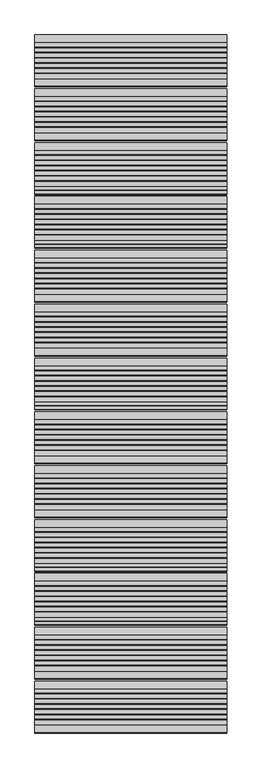
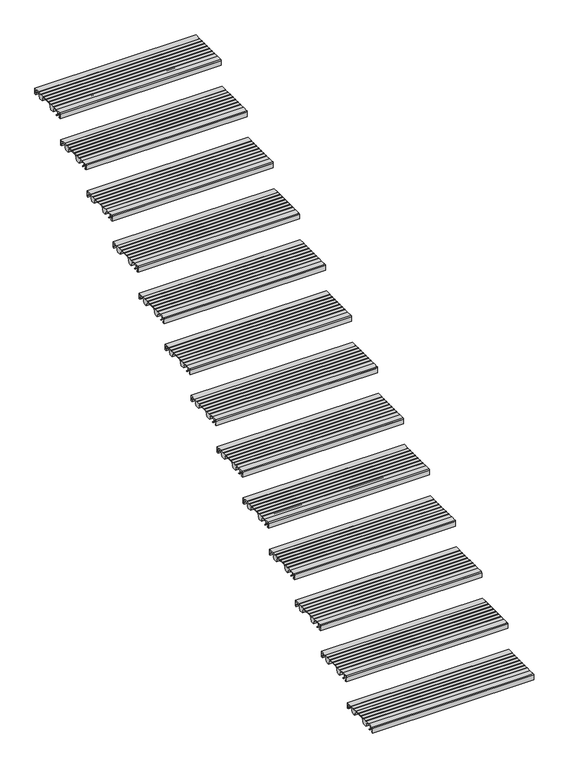
"""IFC4 building model written with IfcOpenShell, lengths in millimetres: stair flight geometry."""

from ifc_helpers import new_model, si_unit, point, frame, frame_2d, origin, place, context, project, spatial, polyline, circle_curve, trimmed, segment, composite_curve, outline, extrude, source, transform, mapped, element, save


def stair_flight_8a42d05c(model_context):
    return source(origin(), model_context, "Body", "SweptSolid", [
        extrude(outline(composite_curve([segment(polyline([(-5835.7714581, 142.2436313), (-5824.0121655, 133.0961128), (-5820.5625929, 133.0885102), (-5820.5684453, 130.4330421), (-5824.9259703, 130.4426458), (-5838.2117943, 140.7776485), (-5838.8689923, 160.5772032), (-5855.6889024, 160.5401335), (-5855.6889024, 139.1885558), (-5849.7889347, 139.2015588), (-5849.7889347, 129.9429101), (-5858.9832568, 129.9429101), (-5858.9832568, 160.8235294)]), True, "CONTINUOUS"), segment(trimmed(circle_curve(frame_2d((-5853.9832568, 160.8235294)), 5.0), [point((-5858.9832568, 160.8235294))], [point((-5853.9832568, 165.8235294))], False, "CARTESIAN"), True, "CONTINUOUS"), segment(polyline([(-5853.9832568, 165.8235294), (-5819.2747035, 165.8235294), (-5819.2747035, 164.4415536), (-5789.2485475, 164.3753783), (-5789.2485475, 165.9642153), (-5787.213968, 165.9642153), (-5787.213968, 164.0199324), (-5762.3673917, 164.0199324), (-5762.3673917, 165.9642153), (-5760.3328122, 165.9642153), (-5760.3328122, 164.0199324), (-5735.4862358, 164.0199324), (-5735.4862358, 165.9642153), (-5733.4516563, 165.9642153), (-5733.4516563, 164.0199324), (-5708.60508, 164.0199324), (-5708.60508, 165.9642153), (-5706.5705005, 165.9642153), (-5706.5705005, 164.0199324), (-5681.7239241, 164.0199324), (-5681.7239241, 165.9642153), (-5679.6893446, 165.9642153), (-5679.6893446, 164.0199324), (-5654.852176, 164.0199324), (-5654.852176, 165.9642153), (-5652.8175965, 165.9642153), (-5652.8175965, 164.0199324), (-5627.9697223, 164.0199324), (-5627.9697223, 165.9094525), (-5588.9832568, 165.8235294), (-5588.9832568, 129.9226465), (-5598.1775789, 129.9429101), (-5598.1775789, 139.2015588), (-5592.2776112, 139.1885558), (-5592.2776112, 160.5401335), (-5630.4991521, 160.6243708), (-5641.2246336, 130.0377824), (-5666.1164136, 130.092642), (-5679.1103611, 161.2983621), (-5749.7810763, 161.4541148), (-5760.7051778, 130.3011082), (-5785.5969579, 130.3559677), (-5798.6696565, 161.7508134), (-5819.2747035, 161.7962253), (-5819.2747035, 160.6203875), (-5836.3801784, 160.5826884), (-5835.7714581, 142.2436313)]), True, "CONTINUOUS")], self_intersect=False)), frame((-18715.7515248, 0.0, 0.0), z_axis=(1.0, 0.0, 0.0), x_axis=(0.0, 1.0, 0.0)), (0.0, 0.0, 1.0), 1000.0),
        extrude(outline(composite_curve([segment(polyline([(-5555.7714581, 308.0671607), (-5544.0121655, 298.9196422), (-5540.5625929, 298.9120396), (-5540.5684453, 296.2565715), (-5544.9259703, 296.2661752), (-5558.2117943, 306.6011779), (-5558.8689923, 326.4007327), (-5575.6889024, 326.3636629), (-5575.6889024, 305.0120852), (-5569.7889347, 305.0250882), (-5569.7889347, 295.7664395), (-5578.9832568, 295.7664395), (-5578.9832568, 326.6470588)]), True, "CONTINUOUS"), segment(trimmed(circle_curve(frame_2d((-5573.9832568, 326.6470588)), 5.0), [point((-5578.9832568, 326.6470588))], [point((-5573.9832568, 331.6470588))], False, "CARTESIAN"), True, "CONTINUOUS"), segment(polyline([(-5573.9832568, 331.6470588), (-5539.2747035, 331.6470588), (-5539.2747035, 330.265083), (-5509.2485475, 330.1989077), (-5509.2485475, 331.7877447), (-5507.213968, 331.7877447), (-5507.213968, 329.8434618), (-5482.3673917, 329.8434618), (-5482.3673917, 331.7877447), (-5480.3328122, 331.7877447), (-5480.3328122, 329.8434618), (-5455.4862358, 329.8434618), (-5455.4862358, 331.7877447), (-5453.4516563, 331.7877447), (-5453.4516563, 329.8434618), (-5428.60508, 329.8434618), (-5428.60508, 331.7877447), (-5426.5705005, 331.7877447), (-5426.5705005, 329.8434618), (-5401.7239241, 329.8434618), (-5401.7239241, 331.7877447), (-5399.6893446, 331.7877447), (-5399.6893446, 329.8434618), (-5374.852176, 329.8434618), (-5374.852176, 331.7877447), (-5372.8175965, 331.7877447), (-5372.8175965, 329.8434618), (-5347.9697223, 329.8434618), (-5347.9697223, 331.7329819), (-5308.9832568, 331.6470588), (-5308.9832568, 295.7461759), (-5318.1775789, 295.7664395), (-5318.1775789, 305.0250882), (-5312.2776112, 305.0120852), (-5312.2776112, 326.3636629), (-5350.4991521, 326.4479002), (-5361.2246336, 295.8613118), (-5386.1164136, 295.9161714), (-5399.1103611, 327.1218915), (-5469.7810763, 327.2776442), (-5480.7051778, 296.1246376), (-5505.5969579, 296.1794971), (-5518.6696565, 327.5743428), (-5539.2747035, 327.6197548), (-5539.2747035, 326.4439169), (-5556.3801784, 326.4062178), (-5555.7714581, 308.0671607)]), True, "CONTINUOUS")], self_intersect=False)), frame((-18715.7515248, 0.0, 0.0), z_axis=(1.0, 0.0, 0.0), x_axis=(0.0, 1.0, 0.0)), (0.0, 0.0, 1.0), 1000.0),
        extrude(outline(composite_curve([segment(polyline([(-5275.7714581, 473.8906902), (-5264.0121655, 464.7431716), (-5260.5625929, 464.735569), (-5260.5684453, 462.080101), (-5264.9259703, 462.0897046), (-5278.2117943, 472.4247073), (-5278.8689923, 492.2242621), (-5295.6889024, 492.1871923), (-5295.6889024, 470.8356146), (-5289.7889347, 470.8486177), (-5289.7889347, 461.5899689), (-5298.9832568, 461.5899689), (-5298.9832568, 492.4705882)]), True, "CONTINUOUS"), segment(trimmed(circle_curve(frame_2d((-5293.9832568, 492.4705882)), 5.0), [point((-5298.9832568, 492.4705882))], [point((-5293.9832568, 497.4705882))], False, "CARTESIAN"), True, "CONTINUOUS"), segment(polyline([(-5293.9832568, 497.4705882), (-5259.2747035, 497.4705882), (-5259.2747035, 496.0886124), (-5229.2485475, 496.0224371), (-5229.2485475, 497.6112741), (-5227.213968, 497.6112741), (-5227.213968, 495.6669912), (-5202.3673917, 495.6669912), (-5202.3673917, 497.6112741), (-5200.3328122, 497.6112741), (-5200.3328122, 495.6669912), (-5175.4862358, 495.6669912), (-5175.4862358, 497.6112741), (-5173.4516563, 497.6112741), (-5173.4516563, 495.6669912), (-5148.60508, 495.6669912), (-5148.60508, 497.6112741), (-5146.5705005, 497.6112741), (-5146.5705005, 495.6669912), (-5121.7239241, 495.6669912), (-5121.7239241, 497.6112741), (-5119.6893446, 497.6112741), (-5119.6893446, 495.6669912), (-5094.852176, 495.6669912), (-5094.852176, 497.6112741), (-5092.8175965, 497.6112741), (-5092.8175965, 495.6669912), (-5067.9697223, 495.6669912), (-5067.9697223, 497.5565113), (-5028.9832568, 497.4705882), (-5028.9832568, 461.5697053), (-5038.1775789, 461.5899689), (-5038.1775789, 470.8486177), (-5032.2776112, 470.8356146), (-5032.2776112, 492.1871923), (-5070.4991521, 492.2714296), (-5081.2246336, 461.6848412), (-5106.1164136, 461.7397008), (-5119.1103611, 492.9454209), (-5189.7810763, 493.1011736), (-5200.7051778, 461.948167), (-5225.5969579, 462.0030265), (-5238.6696565, 493.3978723), (-5259.2747035, 493.4432842), (-5259.2747035, 492.2674463), (-5276.3801784, 492.2297472), (-5275.7714581, 473.8906902)]), True, "CONTINUOUS")], self_intersect=False)), frame((-18715.7515248, 0.0, 0.0), z_axis=(1.0, 0.0, 0.0), x_axis=(0.0, 1.0, 0.0)), (0.0, 0.0, 1.0), 1000.0),
        extrude(outline(composite_curve([segment(polyline([(-4995.7714581, 639.7142196), (-4984.0121655, 630.566701), (-4980.5625929, 630.5590984), (-4980.5684453, 627.9036304), (-4984.9259703, 627.913234), (-4998.2117943, 638.2482367), (-4998.8689923, 658.0477915), (-5015.6889024, 658.0107217), (-5015.6889024, 636.659144), (-5009.7889347, 636.6721471), (-5009.7889347, 627.4134983), (-5018.9832568, 627.4134983), (-5018.9832568, 658.2941176)]), True, "CONTINUOUS"), segment(trimmed(circle_curve(frame_2d((-5013.9832568, 658.2941176)), 5.0), [point((-5018.9832568, 658.2941176))], [point((-5013.9832568, 663.2941176))], False, "CARTESIAN"), True, "CONTINUOUS"), segment(polyline([(-5013.9832568, 663.2941176), (-4979.2747035, 663.2941176), (-4979.2747035, 661.9121418), (-4949.2485475, 661.8459665), (-4949.2485475, 663.4348035), (-4947.213968, 663.4348035), (-4947.213968, 661.4905206), (-4922.3673917, 661.4905206), (-4922.3673917, 663.4348035), (-4920.3328122, 663.4348035), (-4920.3328122, 661.4905206), (-4895.4862358, 661.4905206), (-4895.4862358, 663.4348035), (-4893.4516563, 663.4348035), (-4893.4516563, 661.4905206), (-4868.60508, 661.4905206), (-4868.60508, 663.4348035), (-4866.5705005, 663.4348035), (-4866.5705005, 661.4905206), (-4841.7239241, 661.4905206), (-4841.7239241, 663.4348035), (-4839.6893446, 663.4348035), (-4839.6893446, 661.4905206), (-4814.852176, 661.4905206), (-4814.852176, 663.4348035), (-4812.8175965, 663.4348035), (-4812.8175965, 661.4905206), (-4787.9697223, 661.4905206), (-4787.9697223, 663.3800408), (-4748.9832568, 663.2941176), (-4748.9832568, 627.3932348), (-4758.1775789, 627.4134983), (-4758.1775789, 636.6721471), (-4752.2776112, 636.659144), (-4752.2776112, 658.0107217), (-4790.4991521, 658.094959), (-4801.2246336, 627.5083707), (-4826.1164136, 627.5632302), (-4839.1103611, 658.7689503), (-4909.7810763, 658.9247031), (-4920.7051778, 627.7716964), (-4945.5969579, 627.8265559), (-4958.6696565, 659.2214017), (-4979.2747035, 659.2668136), (-4979.2747035, 658.0909758), (-4996.3801784, 658.0532766), (-4995.7714581, 639.7142196)]), True, "CONTINUOUS")], self_intersect=False)), frame((-18715.7515248, 0.0, 0.0), z_axis=(1.0, 0.0, 0.0), x_axis=(0.0, 1.0, 0.0)), (0.0, 0.0, 1.0), 1000.0),
        extrude(outline(composite_curve([segment(polyline([(-4715.7714581, 805.537749), (-4704.0121655, 796.3902304), (-4700.5625929, 796.3826279), (-4700.5684453, 793.7271598), (-4704.9259703, 793.7367634), (-4718.2117943, 804.0717661), (-4718.8689923, 823.8713209), (-4735.6889024, 823.8342511), (-4735.6889024, 802.4826734), (-4729.7889347, 802.4956765), (-4729.7889347, 793.2370277), (-4738.9832568, 793.2370277), (-4738.9832568, 824.1176471)]), True, "CONTINUOUS"), segment(trimmed(circle_curve(frame_2d((-4733.9832568, 824.1176471)), 5.0), [point((-4738.9832568, 824.1176471))], [point((-4733.9832568, 829.1176471))], False, "CARTESIAN"), True, "CONTINUOUS"), segment(polyline([(-4733.9832568, 829.1176471), (-4699.2747035, 829.1176471), (-4699.2747035, 827.7356712), (-4669.2485475, 827.6694959), (-4669.2485475, 829.2583329), (-4667.213968, 829.2583329), (-4667.213968, 827.31405), (-4642.3673917, 827.31405), (-4642.3673917, 829.2583329), (-4640.3328122, 829.2583329), (-4640.3328122, 827.31405), (-4615.4862358, 827.31405), (-4615.4862358, 829.2583329), (-4613.4516563, 829.2583329), (-4613.4516563, 827.31405), (-4588.60508, 827.31405), (-4588.60508, 829.2583329), (-4586.5705005, 829.2583329), (-4586.5705005, 827.31405), (-4561.7239241, 827.31405), (-4561.7239241, 829.2583329), (-4559.6893446, 829.2583329), (-4559.6893446, 827.31405), (-4534.852176, 827.31405), (-4534.852176, 829.2583329), (-4532.8175965, 829.2583329), (-4532.8175965, 827.31405), (-4507.9697223, 827.31405), (-4507.9697223, 829.2035702), (-4468.9832568, 829.1176471), (-4468.9832568, 793.2167642), (-4478.1775789, 793.2370277), (-4478.1775789, 802.4956765), (-4472.2776112, 802.4826734), (-4472.2776112, 823.8342511), (-4510.4991521, 823.9184884), (-4521.2246336, 793.3319001), (-4546.1164136, 793.3867596), (-4559.1103611, 824.5924798), (-4629.7810763, 824.7482325), (-4640.7051778, 793.5952258), (-4665.5969579, 793.6500854), (-4678.6696565, 825.0449311), (-4699.2747035, 825.090343), (-4699.2747035, 823.9145052), (-4716.3801784, 823.876806), (-4715.7714581, 805.537749)]), True, "CONTINUOUS")], self_intersect=False)), frame((-18715.7515248, 0.0, 0.0), z_axis=(1.0, 0.0, 0.0), x_axis=(0.0, 1.0, 0.0)), (0.0, 0.0, 1.0), 1000.0),
        extrude(outline(composite_curve([segment(polyline([(-4435.7714581, 971.3612784), (-4424.0121655, 962.2137599), (-4420.5625929, 962.2061573), (-4420.5684453, 959.5506892), (-4424.9259703, 959.5602928), (-4438.2117943, 969.8952956), (-4438.8689923, 989.6948503), (-4455.6889024, 989.6577805), (-4455.6889024, 968.3062028), (-4449.7889347, 968.3192059), (-4449.7889347, 959.0605571), (-4458.9832568, 959.0605571), (-4458.9832568, 989.9411765)]), True, "CONTINUOUS"), segment(trimmed(circle_curve(frame_2d((-4453.9832568, 989.9411765)), 5.0), [point((-4458.9832568, 989.9411765))], [point((-4453.9832568, 994.9411765))], False, "CARTESIAN"), True, "CONTINUOUS"), segment(polyline([(-4453.9832568, 994.9411765), (-4419.2747035, 994.9411765), (-4419.2747035, 993.5592006), (-4389.2485475, 993.4930253), (-4389.2485475, 995.0818624), (-4387.213968, 995.0818624), (-4387.213968, 993.1375794), (-4362.3673917, 993.1375794), (-4362.3673917, 995.0818624), (-4360.3328122, 995.0818624), (-4360.3328122, 993.1375794), (-4335.4862358, 993.1375794), (-4335.4862358, 995.0818624), (-4333.4516563, 995.0818624), (-4333.4516563, 993.1375794), (-4308.60508, 993.1375794), (-4308.60508, 995.0818624), (-4306.5705005, 995.0818624), (-4306.5705005, 993.1375794), (-4281.7239241, 993.1375794), (-4281.7239241, 995.0818624), (-4279.6893446, 995.0818624), (-4279.6893446, 993.1375794), (-4254.852176, 993.1375794), (-4254.852176, 995.0818624), (-4252.8175965, 995.0818624), (-4252.8175965, 993.1375794), (-4227.9697223, 993.1375794), (-4227.9697223, 995.0270996), (-4188.9832568, 994.9411765), (-4188.9832568, 959.0402936), (-4198.1775789, 959.0605571), (-4198.1775789, 968.3192059), (-4192.2776112, 968.3062028), (-4192.2776112, 989.6577805), (-4230.4991521, 989.7420178), (-4241.2246336, 959.1554295), (-4266.1164136, 959.210289), (-4279.1103611, 990.4160092), (-4349.7810763, 990.5717619), (-4360.7051778, 959.4187552), (-4385.5969579, 959.4736148), (-4398.6696565, 990.8684605), (-4419.2747035, 990.9138724), (-4419.2747035, 989.7380346), (-4436.3801784, 989.7003355), (-4435.7714581, 971.3612784)]), True, "CONTINUOUS")], self_intersect=False)), frame((-18715.7515248, 0.0, 0.0), z_axis=(1.0, 0.0, 0.0), x_axis=(0.0, 1.0, 0.0)), (0.0, 0.0, 1.0), 1000.0),
        extrude(outline(composite_curve([segment(polyline([(-4155.7714581, 1137.1848078), (-4144.0121655, 1128.0372893), (-4140.5625929, 1128.0296867), (-4140.5684453, 1125.3742186), (-4144.9259703, 1125.3838222), (-4158.2117943, 1135.718825), (-4158.8689923, 1155.5183797), (-4175.6889024, 1155.48131), (-4175.6889024, 1134.1297322), (-4169.7889347, 1134.1427353), (-4169.7889347, 1124.8840866), (-4178.9832568, 1124.8840866), (-4178.9832568, 1155.7647059)]), True, "CONTINUOUS"), segment(trimmed(circle_curve(frame_2d((-4173.9832568, 1155.7647059)), 5.0), [point((-4178.9832568, 1155.7647059))], [point((-4173.9832568, 1160.7647059))], False, "CARTESIAN"), True, "CONTINUOUS"), segment(polyline([(-4173.9832568, 1160.7647059), (-4139.2747035, 1160.7647059), (-4139.2747035, 1159.38273), (-4109.2485475, 1159.3165547), (-4109.2485475, 1160.9053918), (-4107.213968, 1160.9053918), (-4107.213968, 1158.9611088), (-4082.3673917, 1158.9611088), (-4082.3673917, 1160.9053918), (-4080.3328122, 1160.9053918), (-4080.3328122, 1158.9611088), (-4055.4862358, 1158.9611088), (-4055.4862358, 1160.9053918), (-4053.4516563, 1160.9053918), (-4053.4516563, 1158.9611088), (-4028.60508, 1158.9611088), (-4028.60508, 1160.9053918), (-4026.5705005, 1160.9053918), (-4026.5705005, 1158.9611088), (-4001.7239241, 1158.9611088), (-4001.7239241, 1160.9053918), (-3999.6893446, 1160.9053918), (-3999.6893446, 1158.9611088), (-3974.852176, 1158.9611088), (-3974.852176, 1160.9053918), (-3972.8175965, 1160.9053918), (-3972.8175965, 1158.9611088), (-3947.9697223, 1158.9611088), (-3947.9697223, 1160.850629), (-3908.9832568, 1160.7647059), (-3908.9832568, 1124.863823), (-3918.1775789, 1124.8840866), (-3918.1775789, 1134.1427353), (-3912.2776112, 1134.1297322), (-3912.2776112, 1155.48131), (-3950.4991521, 1155.5655472), (-3961.2246336, 1124.9789589), (-3986.1164136, 1125.0338184), (-3999.1103611, 1156.2395386), (-4069.7810763, 1156.3952913), (-4080.7051778, 1125.2422846), (-4105.5969579, 1125.2971442), (-4118.6696565, 1156.6919899), (-4139.2747035, 1156.7374018), (-4139.2747035, 1155.561564), (-4156.3801784, 1155.5238649), (-4155.7714581, 1137.1848078)]), True, "CONTINUOUS")], self_intersect=False)), frame((-18715.7515248, 0.0, 0.0), z_axis=(1.0, 0.0, 0.0), x_axis=(0.0, 1.0, 0.0)), (0.0, 0.0, 1.0), 1000.0),
        extrude(outline(composite_curve([segment(polyline([(-3875.7714581, 1303.0083372), (-3864.0121655, 1293.8608187), (-3860.5625929, 1293.8532161), (-3860.5684453, 1291.197748), (-3864.9259703, 1291.2073517), (-3878.2117943, 1301.5423544), (-3878.8689923, 1321.3419091), (-3895.6889024, 1321.3048394), (-3895.6889024, 1299.9532616), (-3889.7889347, 1299.9662647), (-3889.7889347, 1290.707616), (-3898.9832568, 1290.707616), (-3898.9832568, 1321.5882353)]), True, "CONTINUOUS"), segment(trimmed(circle_curve(frame_2d((-3893.9832568, 1321.5882353)), 5.0), [point((-3898.9832568, 1321.5882353))], [point((-3893.9832568, 1326.5882353))], False, "CARTESIAN"), True, "CONTINUOUS"), segment(polyline([(-3893.9832568, 1326.5882353), (-3859.2747035, 1326.5882353), (-3859.2747035, 1325.2062594), (-3829.2485475, 1325.1400841), (-3829.2485475, 1326.7289212), (-3827.213968, 1326.7289212), (-3827.213968, 1324.7846383), (-3802.3673917, 1324.7846383), (-3802.3673917, 1326.7289212), (-3800.3328122, 1326.7289212), (-3800.3328122, 1324.7846383), (-3775.4862358, 1324.7846383), (-3775.4862358, 1326.7289212), (-3773.4516563, 1326.7289212), (-3773.4516563, 1324.7846383), (-3748.60508, 1324.7846383), (-3748.60508, 1326.7289212), (-3746.5705005, 1326.7289212), (-3746.5705005, 1324.7846383), (-3721.7239241, 1324.7846383), (-3721.7239241, 1326.7289212), (-3719.6893446, 1326.7289212), (-3719.6893446, 1324.7846383), (-3694.852176, 1324.7846383), (-3694.852176, 1326.7289212), (-3692.8175965, 1326.7289212), (-3692.8175965, 1324.7846383), (-3667.9697223, 1324.7846383), (-3667.9697223, 1326.6741584), (-3628.9832568, 1326.5882353), (-3628.9832568, 1290.6873524), (-3638.1775789, 1290.707616), (-3638.1775789, 1299.9662647), (-3632.2776112, 1299.9532616), (-3632.2776112, 1321.3048394), (-3670.4991521, 1321.3890766), (-3681.2246336, 1290.8024883), (-3706.1164136, 1290.8573478), (-3719.1103611, 1322.063068), (-3789.7810763, 1322.2188207), (-3800.7051778, 1291.0658141), (-3825.5969579, 1291.1206736), (-3838.6696565, 1322.5155193), (-3859.2747035, 1322.5609312), (-3859.2747035, 1321.3850934), (-3876.3801784, 1321.3473943), (-3875.7714581, 1303.0083372)]), True, "CONTINUOUS")], self_intersect=False)), frame((-18715.7515248, 0.0, 0.0), z_axis=(1.0, 0.0, 0.0), x_axis=(0.0, 1.0, 0.0)), (0.0, 0.0, 1.0), 1000.0),
        extrude(outline(composite_curve([segment(polyline([(-3595.7714581, 1468.8318666), (-3584.0121655, 1459.6843481), (-3580.5625929, 1459.6767455), (-3580.5684453, 1457.0212774), (-3584.9259703, 1457.0308811), (-3598.2117943, 1467.3658838), (-3598.8689923, 1487.1654385), (-3615.6889024, 1487.1283688), (-3615.6889024, 1465.7767911), (-3609.7889347, 1465.7897941), (-3609.7889347, 1456.5311454), (-3618.9832568, 1456.5311454), (-3618.9832568, 1487.4117647)]), True, "CONTINUOUS"), segment(trimmed(circle_curve(frame_2d((-3613.9832568, 1487.4117647)), 5.0), [point((-3618.9832568, 1487.4117647))], [point((-3613.9832568, 1492.4117647))], False, "CARTESIAN"), True, "CONTINUOUS"), segment(polyline([(-3613.9832568, 1492.4117647), (-3579.2747035, 1492.4117647), (-3579.2747035, 1491.0297889), (-3549.2485475, 1490.9636136), (-3549.2485475, 1492.5524506), (-3547.213968, 1492.5524506), (-3547.213968, 1490.6081677), (-3522.3673917, 1490.6081677), (-3522.3673917, 1492.5524506), (-3520.3328122, 1492.5524506), (-3520.3328122, 1490.6081677), (-3495.4862358, 1490.6081677), (-3495.4862358, 1492.5524506), (-3493.4516563, 1492.5524506), (-3493.4516563, 1490.6081677), (-3468.60508, 1490.6081677), (-3468.60508, 1492.5524506), (-3466.5705005, 1492.5524506), (-3466.5705005, 1490.6081677), (-3441.7239241, 1490.6081677), (-3441.7239241, 1492.5524506), (-3439.6893446, 1492.5524506), (-3439.6893446, 1490.6081677), (-3414.852176, 1490.6081677), (-3414.852176, 1492.5524506), (-3412.8175965, 1492.5524506), (-3412.8175965, 1490.6081677), (-3387.9697223, 1490.6081677), (-3387.9697223, 1492.4976878), (-3348.9832568, 1492.4117647), (-3348.9832568, 1456.5108818), (-3358.1775789, 1456.5311454), (-3358.1775789, 1465.7897941), (-3352.2776112, 1465.7767911), (-3352.2776112, 1487.1283688), (-3390.4991521, 1487.2126061), (-3401.2246336, 1456.6260177), (-3426.1164136, 1456.6808772), (-3439.1103611, 1487.8865974), (-3509.7810763, 1488.0423501), (-3520.7051778, 1456.8893435), (-3545.5969579, 1456.944203), (-3558.6696565, 1488.3390487), (-3579.2747035, 1488.3844606), (-3579.2747035, 1487.2086228), (-3596.3801784, 1487.1709237), (-3595.7714581, 1468.8318666)]), True, "CONTINUOUS")], self_intersect=False)), frame((-18715.7515248, 0.0, 0.0), z_axis=(1.0, 0.0, 0.0), x_axis=(0.0, 1.0, 0.0)), (0.0, 0.0, 1.0), 1000.0),
        extrude(outline(composite_curve([segment(polyline([(-3315.7714581, 1634.655396), (-3304.0121655, 1625.5078775), (-3300.5625929, 1625.5002749), (-3300.5684453, 1622.8448068), (-3304.9259703, 1622.8544105), (-3318.2117943, 1633.1894132), (-3318.8689923, 1652.988968), (-3335.6889024, 1652.9518982), (-3335.6889024, 1631.6003205), (-3329.7889347, 1631.6133235), (-3329.7889347, 1622.3546748), (-3338.9832568, 1622.3546748), (-3338.9832568, 1653.2352941)]), True, "CONTINUOUS"), segment(trimmed(circle_curve(frame_2d((-3333.9832568, 1653.2352941)), 5.0), [point((-3338.9832568, 1653.2352941))], [point((-3333.9832568, 1658.2352941))], False, "CARTESIAN"), True, "CONTINUOUS"), segment(polyline([(-3333.9832568, 1658.2352941), (-3299.2747035, 1658.2352941), (-3299.2747035, 1656.8533183), (-3269.2485475, 1656.787143), (-3269.2485475, 1658.37598), (-3267.213968, 1658.37598), (-3267.213968, 1656.4316971), (-3242.3673917, 1656.4316971), (-3242.3673917, 1658.37598), (-3240.3328122, 1658.37598), (-3240.3328122, 1656.4316971), (-3215.4862358, 1656.4316971), (-3215.4862358, 1658.37598), (-3213.4516563, 1658.37598), (-3213.4516563, 1656.4316971), (-3188.60508, 1656.4316971), (-3188.60508, 1658.37598), (-3186.5705005, 1658.37598), (-3186.5705005, 1656.4316971), (-3161.7239241, 1656.4316971), (-3161.7239241, 1658.37598), (-3159.6893446, 1658.37598), (-3159.6893446, 1656.4316971), (-3134.852176, 1656.4316971), (-3134.852176, 1658.37598), (-3132.8175965, 1658.37598), (-3132.8175965, 1656.4316971), (-3107.9697223, 1656.4316971), (-3107.9697223, 1658.3212172), (-3068.9832568, 1658.2352941), (-3068.9832568, 1622.3344112), (-3078.1775789, 1622.3546748), (-3078.1775789, 1631.6133235), (-3072.2776112, 1631.6003205), (-3072.2776112, 1652.9518982), (-3110.4991521, 1653.0361355), (-3121.2246336, 1622.4495471), (-3146.1164136, 1622.5044067), (-3159.1103611, 1653.7101268), (-3229.7810763, 1653.8658795), (-3240.7051778, 1622.7128729), (-3265.5969579, 1622.7677324), (-3278.6696565, 1654.1625781), (-3299.2747035, 1654.2079901), (-3299.2747035, 1653.0321522), (-3316.3801784, 1652.9944531), (-3315.7714581, 1634.655396)]), True, "CONTINUOUS")], self_intersect=False)), frame((-18715.7515248, 0.0, 0.0), z_axis=(1.0, 0.0, 0.0), x_axis=(0.0, 1.0, 0.0)), (0.0, 0.0, 1.0), 1000.0),
        extrude(outline(composite_curve([segment(polyline([(-3035.7714581, 1800.4789255), (-3024.0121655, 1791.3314069), (-3020.5625929, 1791.3238043), (-3020.5684453, 1788.6683362), (-3024.9259703, 1788.6779399), (-3038.2117943, 1799.0129426), (-3038.8689923, 1818.8124974), (-3055.6889024, 1818.7754276), (-3055.6889024, 1797.4238499), (-3049.7889347, 1797.436853), (-3049.7889347, 1788.1782042), (-3058.9832568, 1788.1782042), (-3058.9832568, 1819.0588235)]), True, "CONTINUOUS"), segment(trimmed(circle_curve(frame_2d((-3053.9832568, 1819.0588235)), 5.0), [point((-3058.9832568, 1819.0588235))], [point((-3053.9832568, 1824.0588235))], False, "CARTESIAN"), True, "CONTINUOUS"), segment(polyline([(-3053.9832568, 1824.0588235), (-3019.2747035, 1824.0588235), (-3019.2747035, 1822.6768477), (-2989.2485475, 1822.6106724), (-2989.2485475, 1824.1995094), (-2987.213968, 1824.1995094), (-2987.213968, 1822.2552265), (-2962.3673917, 1822.2552265), (-2962.3673917, 1824.1995094), (-2960.3328122, 1824.1995094), (-2960.3328122, 1822.2552265), (-2935.4862358, 1822.2552265), (-2935.4862358, 1824.1995094), (-2933.4516563, 1824.1995094), (-2933.4516563, 1822.2552265), (-2908.60508, 1822.2552265), (-2908.60508, 1824.1995094), (-2906.5705005, 1824.1995094), (-2906.5705005, 1822.2552265), (-2881.7239241, 1822.2552265), (-2881.7239241, 1824.1995094), (-2879.6893446, 1824.1995094), (-2879.6893446, 1822.2552265), (-2854.852176, 1822.2552265), (-2854.852176, 1824.1995094), (-2852.8175965, 1824.1995094), (-2852.8175965, 1822.2552265), (-2827.9697223, 1822.2552265), (-2827.9697223, 1824.1447466), (-2788.9832568, 1824.0588235), (-2788.9832568, 1788.1579406), (-2798.1775789, 1788.1782042), (-2798.1775789, 1797.436853), (-2792.2776112, 1797.4238499), (-2792.2776112, 1818.7754276), (-2830.4991521, 1818.8596649), (-2841.2246336, 1788.2730765), (-2866.1164136, 1788.3279361), (-2879.1103611, 1819.5336562), (-2949.7810763, 1819.6894089), (-2960.7051778, 1788.5364023), (-2985.5969579, 1788.5912618), (-2998.6696565, 1819.9861076), (-3019.2747035, 1820.0315195), (-3019.2747035, 1818.8556816), (-3036.3801784, 1818.8179825), (-3035.7714581, 1800.4789255)]), True, "CONTINUOUS")], self_intersect=False)), frame((-18715.7515248, 0.0, 0.0), z_axis=(1.0, 0.0, 0.0), x_axis=(0.0, 1.0, 0.0)), (0.0, 0.0, 1.0), 1000.0),
        extrude(outline(composite_curve([segment(polyline([(-2755.7714581, 1966.3024549), (-2744.0121655, 1957.1549363), (-2740.5625929, 1957.1473337), (-2740.5684453, 1954.4918657), (-2744.9259703, 1954.5014693), (-2758.2117943, 1964.836472), (-2758.8689923, 1984.6360268), (-2775.6889024, 1984.598957), (-2775.6889024, 1963.2473793), (-2769.7889347, 1963.2603824), (-2769.7889347, 1954.0017336), (-2778.9832568, 1954.0017336), (-2778.9832568, 1984.8823529)]), True, "CONTINUOUS"), segment(trimmed(circle_curve(frame_2d((-2773.9832568, 1984.8823529)), 5.0), [point((-2778.9832568, 1984.8823529))], [point((-2773.9832568, 1989.8823529))], False, "CARTESIAN"), True, "CONTINUOUS"), segment(polyline([(-2773.9832568, 1989.8823529), (-2739.2747035, 1989.8823529), (-2739.2747035, 1988.5003771), (-2709.2485475, 1988.4342018), (-2709.2485475, 1990.0230388), (-2707.213968, 1990.0230388), (-2707.213968, 1988.0787559), (-2682.3673917, 1988.0787559), (-2682.3673917, 1990.0230388), (-2680.3328122, 1990.0230388), (-2680.3328122, 1988.0787559), (-2655.4862358, 1988.0787559), (-2655.4862358, 1990.0230388), (-2653.4516563, 1990.0230388), (-2653.4516563, 1988.0787559), (-2628.60508, 1988.0787559), (-2628.60508, 1990.0230388), (-2626.5705005, 1990.0230388), (-2626.5705005, 1988.0787559), (-2601.7239241, 1988.0787559), (-2601.7239241, 1990.0230388), (-2599.6893446, 1990.0230388), (-2599.6893446, 1988.0787559), (-2574.852176, 1988.0787559), (-2574.852176, 1990.0230388), (-2572.8175965, 1990.0230388), (-2572.8175965, 1988.0787559), (-2547.9697223, 1988.0787559), (-2547.9697223, 1989.9682761), (-2508.9832568, 1989.8823529), (-2508.9832568, 1953.9814701), (-2518.1775789, 1954.0017336), (-2518.1775789, 1963.2603824), (-2512.2776112, 1963.2473793), (-2512.2776112, 1984.598957), (-2550.4991521, 1984.6831943), (-2561.2246336, 1954.096606), (-2586.1164136, 1954.1514655), (-2599.1103611, 1985.3571856), (-2669.7810763, 1985.5129384), (-2680.7051778, 1954.3599317), (-2705.5969579, 1954.4147912), (-2718.6696565, 1985.809637), (-2739.2747035, 1985.8550489), (-2739.2747035, 1984.6792111), (-2756.3801784, 1984.6415119), (-2755.7714581, 1966.3024549)]), True, "CONTINUOUS")], self_intersect=False)), frame((-18715.7515248, 0.0, 0.0), z_axis=(1.0, 0.0, 0.0), x_axis=(0.0, 1.0, 0.0)), (0.0, 0.0, 1.0), 1000.0),
        extrude(outline(composite_curve([segment(polyline([(-2475.7714581, 2132.1259843), (-2464.0121655, 2122.9784657), (-2460.5625929, 2122.9708632), (-2460.5684453, 2120.3153951), (-2464.9259703, 2120.3249987), (-2478.2117943, 2130.6600014), (-2478.8689923, 2150.4595562), (-2495.6889024, 2150.4224864), (-2495.6889024, 2129.0709087), (-2489.7889347, 2129.0839118), (-2489.7889347, 2119.825263), (-2498.9832568, 2119.825263), (-2498.9832568, 2150.7058824)]), True, "CONTINUOUS"), segment(trimmed(circle_curve(frame_2d((-2493.9832568, 2150.7058824)), 5.0), [point((-2498.9832568, 2150.7058824))], [point((-2493.9832568, 2155.7058824))], False, "CARTESIAN"), True, "CONTINUOUS"), segment(polyline([(-2493.9832568, 2155.7058824), (-2459.2747035, 2155.7058824), (-2459.2747035, 2154.3239065), (-2429.2485475, 2154.2577312), (-2429.2485475, 2155.8465682), (-2427.213968, 2155.8465682), (-2427.213968, 2153.9022853), (-2402.3673917, 2153.9022853), (-2402.3673917, 2155.8465682), (-2400.3328122, 2155.8465682), (-2400.3328122, 2153.9022853), (-2375.4862358, 2153.9022853), (-2375.4862358, 2155.8465682), (-2373.4516563, 2155.8465682), (-2373.4516563, 2153.9022853), (-2348.60508, 2153.9022853), (-2348.60508, 2155.8465682), (-2346.5705005, 2155.8465682), (-2346.5705005, 2153.9022853), (-2321.7239241, 2153.9022853), (-2321.7239241, 2155.8465682), (-2319.6893446, 2155.8465682), (-2319.6893446, 2153.9022853), (-2294.852176, 2153.9022853), (-2294.852176, 2155.8465682), (-2292.8175965, 2155.8465682), (-2292.8175965, 2153.9022853), (-2267.9697223, 2153.9022853), (-2267.9697223, 2155.7918055), (-2228.9832568, 2155.7058824), (-2228.9832568, 2119.8049995), (-2238.1775789, 2119.825263), (-2238.1775789, 2129.0839118), (-2232.2776112, 2129.0709087), (-2232.2776112, 2150.4224864), (-2270.4991521, 2150.5067237), (-2281.2246336, 2119.9201354), (-2306.1164136, 2119.9749949), (-2319.1103611, 2151.180715), (-2389.7810763, 2151.3364678), (-2400.7051778, 2120.1834611), (-2425.5969579, 2120.2383207), (-2438.6696565, 2151.6331664), (-2459.2747035, 2151.6785783), (-2459.2747035, 2150.5027405), (-2476.3801784, 2150.4650413), (-2475.7714581, 2132.1259843)]), True, "CONTINUOUS")], self_intersect=False)), frame((-18715.7515248, 0.0, 0.0), z_axis=(1.0, 0.0, 0.0), x_axis=(0.0, 1.0, 0.0)), (0.0, 0.0, 1.0), 1000.0),
    ])


if __name__ == "__main__":
    model = new_model("IFC4")
    model_context = context("Model", 3, world=origin())
    ifc_project = project(units=[si_unit("LENGTHUNIT", "METRE", prefix="MILLI")], contexts=[model_context])
    site = spatial("IfcSite", under=ifc_project)
    building = spatial("IfcBuilding", under=site)
    placement = place(None, origin())
    stair_flight_shape = stair_flight_8a42d05c(model_context)
    element("IfcStairFlight", 1, at=placement, inside=building, context=model_context, shape_type="MappedRepresentation", body=[
        mapped(stair_flight_shape, transform((0.0, 0.0, 0.0), x_axis=(1.0, 0.0, 0.0), y_axis=(0.0, 1.0, 0.0), z_axis=(0.0, 0.0, 1.0))),
    ])
    save(model, "model.ifc")
